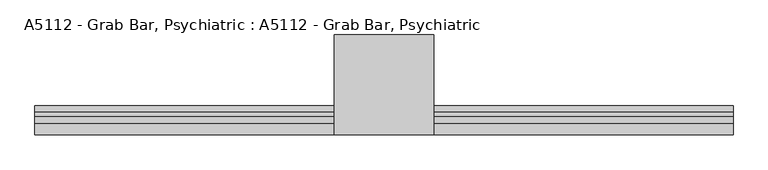
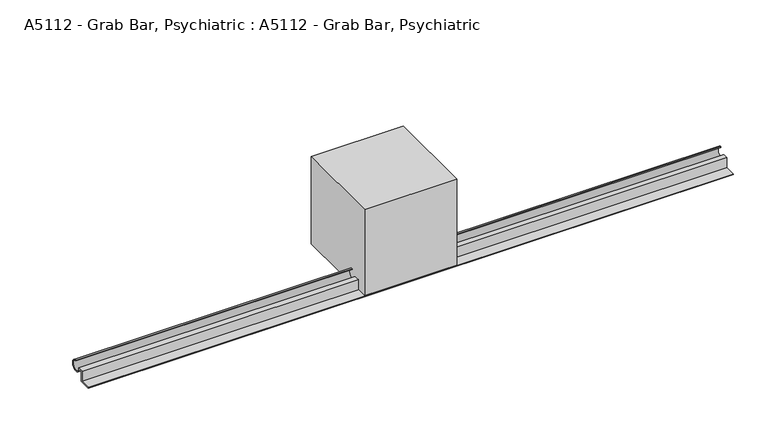
"""IFC4 building model written with IfcOpenShell, lengths in millimetres: proxy geometry, A5112 - Grab Bar, Psychiatric : A5112 - Grab Bar, Psychiatric."""

from ifc_helpers import new_model, si_unit, point, frame, frame_2d, origin, origin_with_axes, place, context, project, spatial, polyline, circle_curve, trimmed, segment, composite_curve, outline, extrude, source, transform, mapped, element, save


def a5112_grab_bar_psychiatric_a5112_grab_bar_psychiatric_b2e40a69(model_context):
    return source(origin(), model_context, "Body", "SweptSolid", [
        extrude(outline(composite_curve([segment(polyline([(38.1, 0.0), (0.0, 0.0), (0.0, 3.175), (34.925, 3.175), (34.925, 38.1), (54.0545744, 38.1)]), True, "CONTINUOUS"), segment(trimmed(circle_curve(frame_2d((69.85, 36.5125)), 15.875), [point((54.0545744, 38.1))], [point((69.85, 52.3875))], True, "CARTESIAN"), True, "CONTINUOUS"), segment(polyline([(69.85, 52.3875), (69.85, 55.5625)]), True, "CONTINUOUS"), segment(trimmed(circle_curve(frame_2d((69.85, 36.5125)), 19.05), [point((69.85, 55.5625))], [point((50.8662611, 34.925))], False, "CARTESIAN"), True, "CONTINUOUS"), segment(polyline([(50.8662611, 34.925), (38.1, 34.925), (38.1, 0.0)]), True, "CONTINUOUS")], self_intersect=False)), frame((-1066.8, 0.0, 0.0), z_axis=(1.0, 0.0, 0.0), x_axis=(0.0, 1.0, 0.0)), (0.0, 0.0, 1.0), 2133.6),
        extrude(outline(polyline([(152.4, 304.8), (152.4, 0.0), (-152.4, 0.0), (-152.4, 304.8), (152.4, 304.8)])), origin_with_axes(), (0.0, 0.0, 1.0), 304.8),
    ])


if __name__ == "__main__":
    model = new_model("IFC4")
    model_context = context("Model", 3, world=origin())
    ifc_project = project(units=[si_unit("LENGTHUNIT", "METRE", prefix="MILLI")], contexts=[model_context])
    site = spatial("IfcSite", under=ifc_project)
    building = spatial("IfcBuilding", under=site)
    placement = place(None, origin())
    a5112_grab_bar_psychiatric_a5112_grab_bar_psychiatric_shape = a5112_grab_bar_psychiatric_a5112_grab_bar_psychiatric_b2e40a69(model_context)
    element("IfcBuildingElementProxy", 1, Name="A5112 - Grab Bar, Psychiatric : A5112 - Grab Bar, Psychiatric", ObjectType="A5112 - Grab Bar, Psychiatric : A5112 - Grab Bar, Psychiatric", at=placement, inside=building, context=model_context, shape_type="MappedRepresentation", body=[
        mapped(a5112_grab_bar_psychiatric_a5112_grab_bar_psychiatric_shape, transform((0.0, 0.0, 0.0), x_axis=(1.0, 0.0, 0.0), y_axis=(0.0, 1.0, 0.0), z_axis=(0.0, 0.0, 1.0))),
    ])
    save(model, "model.ifc")
